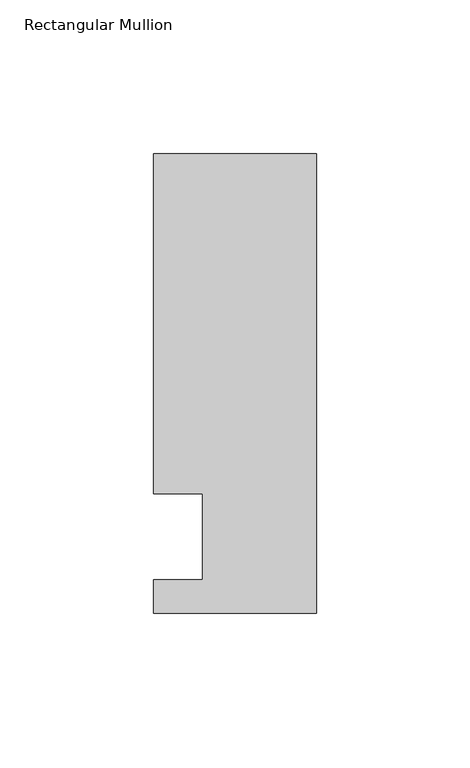
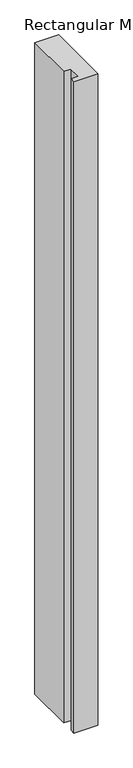
"""IFC4 building model written with IfcOpenShell, lengths in millimetres: member geometry, Rectangular Mullion."""

from ifc_helpers import new_model, si_unit, frame, origin, place, context, project, spatial, polyline, outline, extrude, source, transform, mapped, element, save


def rectangular_mullion_fa45e072(model_context):
    return source(origin(), model_context, "Body", "SweptSolid", [
        extrude(outline(polyline([(-37.0, -13.9999453), (-37.0, 14.0000547), (-53.0, 14.0000547), (-53.0, 124.5000547), (0.0, 124.5000547), (0.0, -24.9999453), (-53.0, -24.9999453), (-53.0, -13.9999453), (-37.0, -13.9999453)])), frame((0.0, 0.0, -1524.000019), z_axis=(0.0, 0.0, 1.0), x_axis=(1.0, 0.0, 0.0)), (0.0, 0.0, 1.0), 1524.000019),
    ])


if __name__ == "__main__":
    model = new_model("IFC4")
    model_context = context("Model", 3, world=origin())
    ifc_project = project(units=[si_unit("LENGTHUNIT", "METRE", prefix="MILLI")], contexts=[model_context])
    site = spatial("IfcSite", under=ifc_project)
    building = spatial("IfcBuilding", under=site)
    placement = place(None, origin())
    rectangular_mullion_shape = rectangular_mullion_fa45e072(model_context)
    element("IfcMember", 1, ObjectType="Rectangular Mullion", at=placement, inside=building, context=model_context, shape_type="MappedRepresentation", body=[
        mapped(rectangular_mullion_shape, transform((0.0, 0.0, 0.0), x_axis=(1.0, 0.0, 0.0), y_axis=(0.0, 1.0, 0.0), z_axis=(0.0, 0.0, 1.0))),
    ])
    save(model, "model.ifc")
